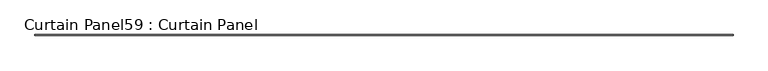
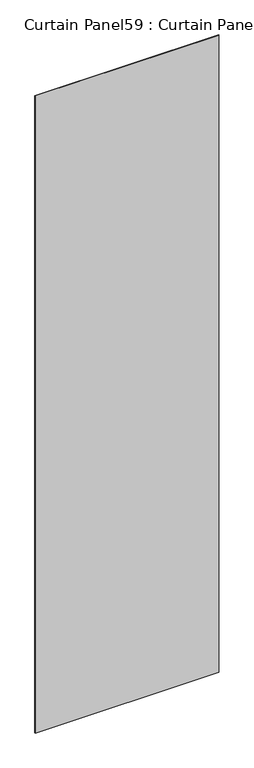
"""IFC4 building model written with IfcOpenShell, lengths in millimetres: plate geometry, Curtain Panel59 : Curtain Panel."""

from ifc_helpers import new_model, si_unit, frame, origin, place, context, project, spatial, polyline, outline, extrude, source, transform, mapped, element, save


def curtain_panel59_curtain_panel_0645dee8(model_context):
    return source(origin(), model_context, "Body", "SweptSolid", [
        extrude(outline(polyline([(87600.7582414, 8006.3584949), (83318.7612148, 8006.3584949), (83318.7612148, 8012.7084949), (87600.7582414, 8012.7084949), (87600.7582414, 8006.3584949)])), frame((0.0, 0.0, 1433.7679301), z_axis=(0.0, 0.0, 1.0), x_axis=(1.0, 0.0, 0.0)), (0.0, 0.0, 1.0), 15711.5380959),
    ])


if __name__ == "__main__":
    model = new_model("IFC4")
    model_context = context("Model", 3, world=origin())
    ifc_project = project(units=[si_unit("LENGTHUNIT", "METRE", prefix="MILLI")], contexts=[model_context])
    site = spatial("IfcSite", under=ifc_project)
    building = spatial("IfcBuilding", under=site)
    placement = place(None, origin())
    curtain_panel59_curtain_panel_shape = curtain_panel59_curtain_panel_0645dee8(model_context)
    element("IfcPlate", 1, ObjectType="Curtain Panel59 : Curtain Panel", at=placement, inside=building, context=model_context, shape_type="MappedRepresentation", body=[
        mapped(curtain_panel59_curtain_panel_shape, transform((0.0, 0.0, 0.0), x_axis=(1.0, 0.0, 0.0), y_axis=(0.0, 1.0, 0.0), z_axis=(0.0, 0.0, 1.0))),
    ])
    save(model, "model.ifc")
